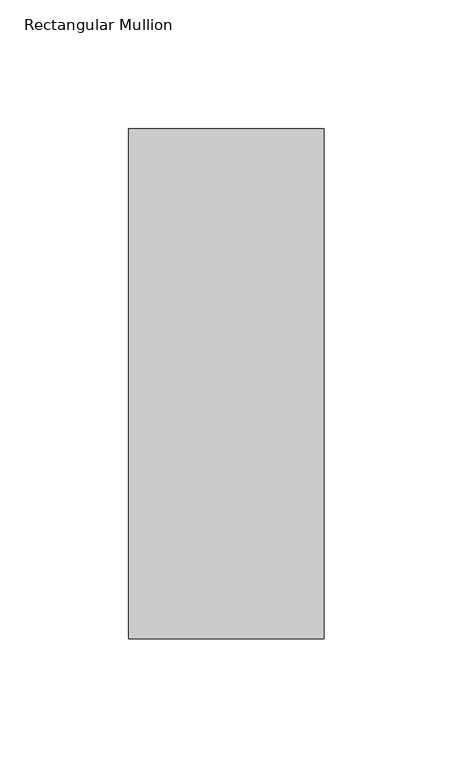
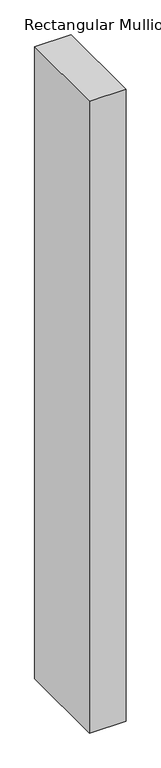
"""IFC4 building model written with IfcOpenShell, lengths in millimetres: member geometry, Rectangular Mullion."""

from ifc_helpers import new_model, si_unit, frame, origin, place, context, project, spatial, polyline, outline, extrude, source, transform, mapped, element, save


def rectangular_mullion_8a346aed(model_context):
    return source(origin(), model_context, "Body", "SweptSolid", [
        extrude(outline(polyline([(38.1, -156.36875), (-38.1, -156.36875), (-38.1, 42.06875), (38.1, 42.06875), (38.1, -156.36875)])), frame((0.0, 0.0, -1397.0), z_axis=(0.0, 0.0, 1.0), x_axis=(1.0, 0.0, 0.0)), (0.0, 0.0, 1.0), 1397.0),
    ])


if __name__ == "__main__":
    model = new_model("IFC4")
    model_context = context("Model", 3, world=origin())
    ifc_project = project(units=[si_unit("LENGTHUNIT", "METRE", prefix="MILLI")], contexts=[model_context])
    site = spatial("IfcSite", under=ifc_project)
    building = spatial("IfcBuilding", under=site)
    placement = place(None, origin())
    rectangular_mullion_shape = rectangular_mullion_8a346aed(model_context)
    element("IfcMember", 1, ObjectType="Rectangular Mullion", at=placement, inside=building, context=model_context, shape_type="MappedRepresentation", body=[
        mapped(rectangular_mullion_shape, transform((0.0, 0.0, 0.0), x_axis=(1.0, 0.0, 0.0), y_axis=(0.0, 1.0, 0.0), z_axis=(0.0, 0.0, 1.0))),
    ])
    save(model, "model.ifc")
